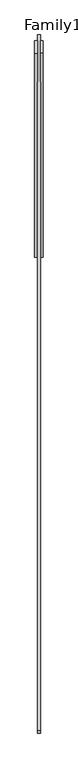
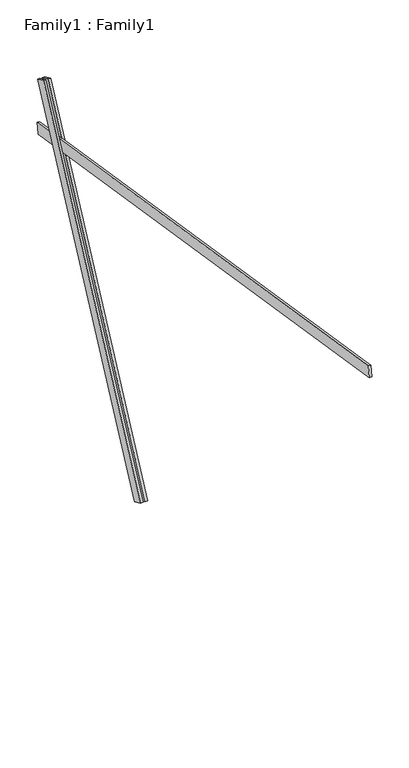
"""IFC4 building model written with IfcOpenShell, lengths in millimetres: proxy geometry, Family1 : Family1."""

from ifc_helpers import new_model, si_unit, frame, origin, place, context, project, spatial, polyline, outline, extrude, source, transform, mapped, element, save


def family1_family1_d80ff008(model_context):
    return source(origin(), model_context, "Body", "SweptSolid", [
        extrude(outline(polyline([(0.0, 0.0), (0.0, -20.0), (-100.0000001, -20.0), (-100.0000001, 0.0), (0.0, 0.0)])), frame((-30.0, 46.3241747, -22.5938096), z_axis=(0.0, 0.4383711467890692, 0.8987940462991711), x_axis=(0.0, 0.8987940462991711, -0.4383711467890692)), (0.0, 0.0, 1.0), 3300.0),
        extrude(outline(polyline([(0.0, 0.0), (0.0, -20.0), (-99.9999999, -20.0), (-99.9999999, 0.0), (0.0, 0.0)])), frame((10.0, 45.270232, -22.0797674), z_axis=(0.0, 0.4383711467890692, 0.8987940462991711), x_axis=(0.0, 0.8987940462991711, -0.4383711467890692)), (0.0, 0.0, 1.0), 3300.0),
        extrude(outline(polyline([(0.0, -20.0), (0.0, 0.0), (5000.0, 0.0), (5000.0, -20.0), (0.0, -20.0)])), frame((-10.0, -3420.8015594, 3202.2090863), z_axis=(0.0, 0.1564344650402334, 0.9876883405951374), x_axis=(0.0, 0.9876883405951374, -0.1564344650402334)), (0.0, 0.0, 1.0), 100.0),
    ])


if __name__ == "__main__":
    model = new_model("IFC4")
    model_context = context("Model", 3, world=origin())
    ifc_project = project(units=[si_unit("LENGTHUNIT", "METRE", prefix="MILLI")], contexts=[model_context])
    site = spatial("IfcSite", under=ifc_project)
    building = spatial("IfcBuilding", under=site)
    placement = place(None, origin())
    family1_family1_shape = family1_family1_d80ff008(model_context)
    element("IfcBuildingElementProxy", 1, Name="Family1 : Family1", ObjectType="Family1 : Family1", at=placement, inside=building, context=model_context, shape_type="MappedRepresentation", body=[
        mapped(family1_family1_shape, transform((0.0, 0.0, 0.0), x_axis=(1.0, 0.0, 0.0), y_axis=(0.0, 1.0, 0.0), z_axis=(0.0, 0.0, 1.0))),
    ])
    save(model, "model.ifc")
